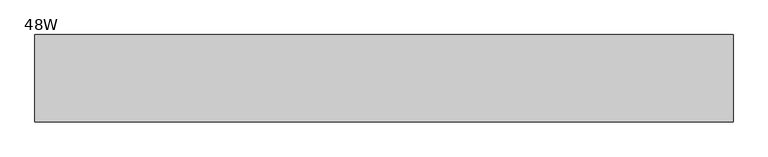
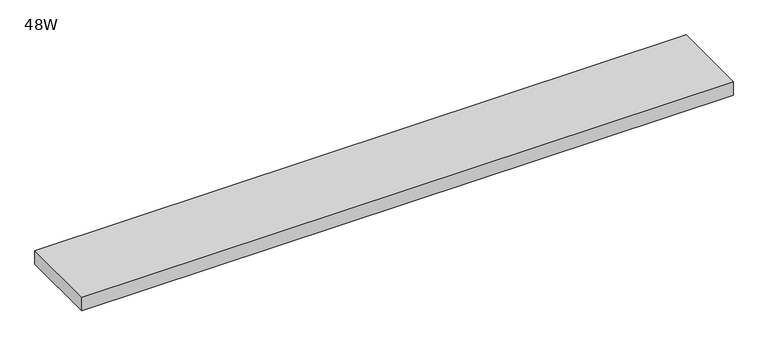
"""IFC4 building model written with IfcOpenShell, lengths in millimetres: furniture geometry, 48W."""

from ifc_helpers import new_model, si_unit, frame, origin, place, context, project, spatial, polyline, outline, extrude, source, transform, mapped, element, save


def furniture_48w_fed688ed(model_context):
    return source(origin(), model_context, "Body", "SweptSolid", [
        extrude(outline(polyline([(1219.2, 0.0), (1219.2, -152.4), (0.0, -152.4), (0.0, 0.0), (1219.2, 0.0)])), frame((0.0, 0.0, 304.8), z_axis=(0.0, 0.0, 1.0), x_axis=(1.0, 0.0, 0.0)), (0.0, 0.0, 1.0), 26.924),
    ])


if __name__ == "__main__":
    model = new_model("IFC4")
    model_context = context("Model", 3, world=origin())
    ifc_project = project(units=[si_unit("LENGTHUNIT", "METRE", prefix="MILLI")], contexts=[model_context])
    site = spatial("IfcSite", under=ifc_project)
    building = spatial("IfcBuilding", under=site)
    placement = place(None, origin())
    furniture_48w_shape = furniture_48w_fed688ed(model_context)
    element("IfcFurniture", 1, ObjectType="48W", at=placement, inside=building, context=model_context, shape_type="MappedRepresentation", body=[
        mapped(furniture_48w_shape, transform((0.0, 0.0, 0.0), x_axis=(1.0, 0.0, 0.0), y_axis=(0.0, 1.0, 0.0), z_axis=(0.0, 0.0, 1.0))),
    ])
    save(model, "model.ifc")
